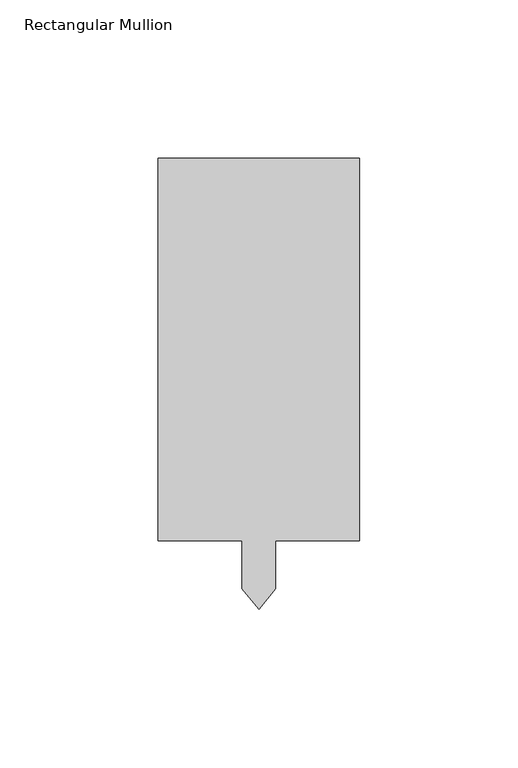
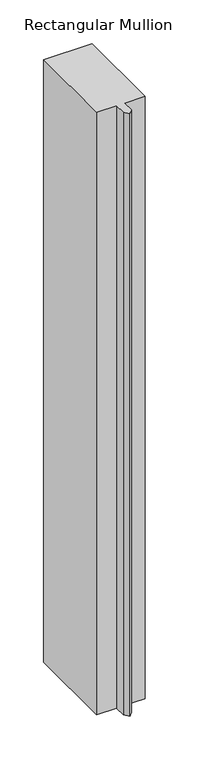
"""IFC4 building model written with IfcOpenShell, lengths in millimetres: member geometry, Rectangular Mullion."""

from ifc_helpers import new_model, si_unit, frame, origin, place, context, project, spatial, polyline, outline, extrude, source, transform, mapped, element, save


def rectangular_mullion_5032ea71(model_context):
    return source(origin(), model_context, "Body", "SweptSolid", [
        extrude(outline(polyline([(31.75, 152.4), (31.75, 31.75), (5.3213, 31.75), (5.3213, 16.5462869), (0.0, 10.2046085), (-5.3213, 16.5462869), (-5.3213, 31.75), (-31.75, 31.75), (-31.75, 152.4), (31.75, 152.4)])), frame((0.0, 0.0, -838.1746001), z_axis=(0.0, 0.0, 1.0), x_axis=(1.0, 0.0, 0.0)), (0.0, 0.0, 1.0), 838.1746001),
    ])


if __name__ == "__main__":
    model = new_model("IFC4")
    model_context = context("Model", 3, world=origin())
    ifc_project = project(units=[si_unit("LENGTHUNIT", "METRE", prefix="MILLI")], contexts=[model_context])
    site = spatial("IfcSite", under=ifc_project)
    building = spatial("IfcBuilding", under=site)
    placement = place(None, origin())
    rectangular_mullion_shape = rectangular_mullion_5032ea71(model_context)
    element("IfcMember", 1, ObjectType="Rectangular Mullion", at=placement, inside=building, context=model_context, shape_type="MappedRepresentation", body=[
        mapped(rectangular_mullion_shape, transform((0.0, 0.0, 0.0), x_axis=(1.0, 0.0, 0.0), y_axis=(0.0, 1.0, 0.0), z_axis=(0.0, 0.0, 1.0))),
    ])
    save(model, "model.ifc")
